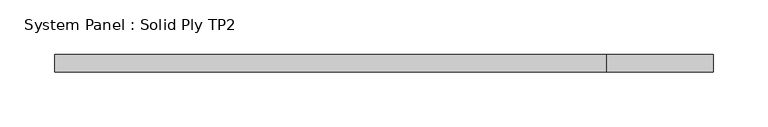
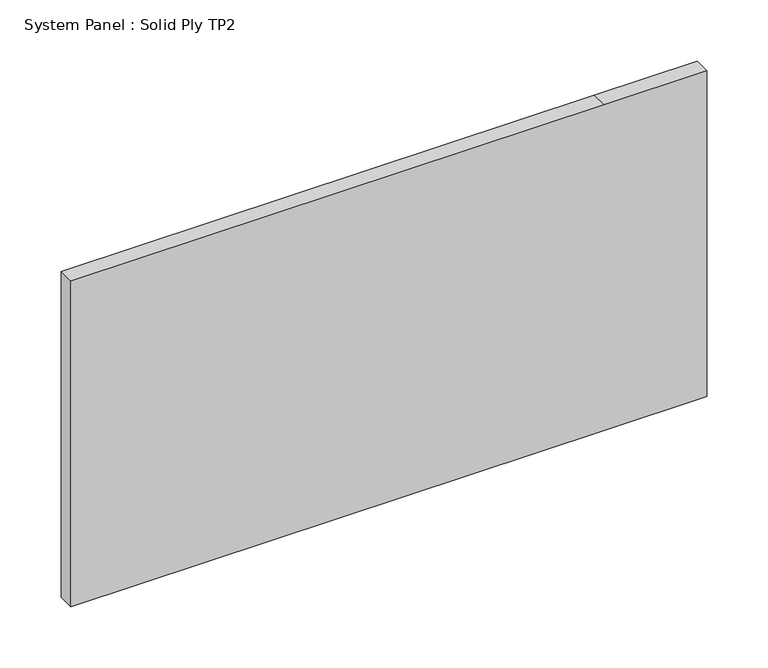
"""IFC4 building model written with IfcOpenShell, lengths in millimetres: plate geometry, System Panel : Solid Ply TP2."""

from ifc_helpers import new_model, si_unit, frame, origin, place, context, project, spatial, polyline, outline, extrude, source, transform, mapped, element, save


def system_panel_solid_ply_tp2_b8ada467(model_context):
    return source(origin(), model_context, "Body", "SweptSolid", [
        extrude(outline(polyline([(0.0, -300.0000002), (0.0, 203.0000009), (0.0, 300.0000002), (325.0, 300.0000002), (325.0, 203.0000009), (325.0, -300.0000002), (0.0, -300.0000002)])), frame((0.0, -23.0, 0.0), z_axis=(0.0, 1.0, 0.0), x_axis=(0.0, 0.0, 1.0)), (0.0, 0.0, 1.0), 16.0),
    ])


if __name__ == "__main__":
    model = new_model("IFC4")
    model_context = context("Model", 3, world=origin())
    ifc_project = project(units=[si_unit("LENGTHUNIT", "METRE", prefix="MILLI")], contexts=[model_context])
    site = spatial("IfcSite", under=ifc_project)
    building = spatial("IfcBuilding", under=site)
    placement = place(None, origin())
    system_panel_solid_ply_tp2_shape = system_panel_solid_ply_tp2_b8ada467(model_context)
    element("IfcPlate", 1, ObjectType="System Panel : Solid Ply TP2", at=placement, inside=building, context=model_context, shape_type="MappedRepresentation", body=[
        mapped(system_panel_solid_ply_tp2_shape, transform((0.0, 0.0, 0.0), x_axis=(1.0, 0.0, 0.0), y_axis=(0.0, 1.0, 0.0), z_axis=(0.0, 0.0, 1.0))),
    ])
    save(model, "model.ifc")
